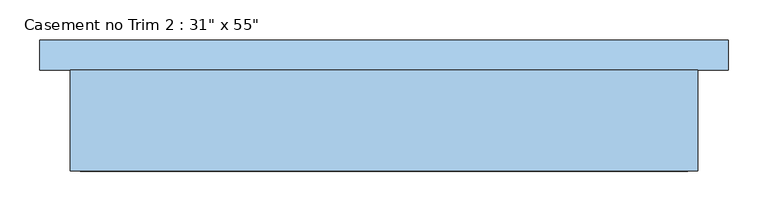
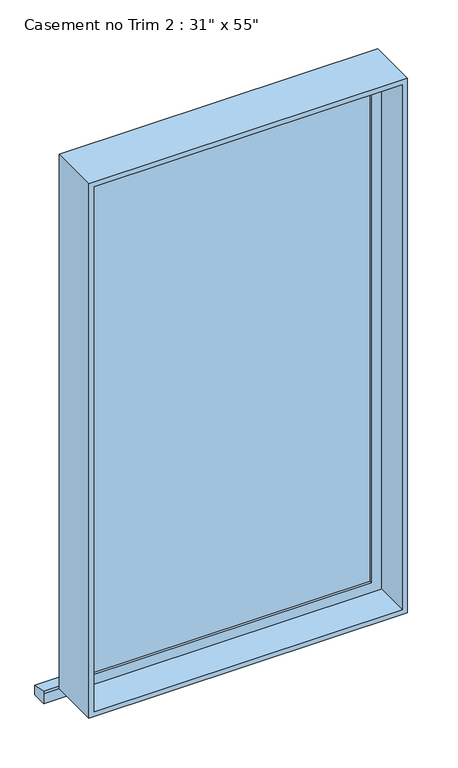
"""IFC4 building model written with IfcOpenShell, lengths in millimetres: window geometry."""

import ifcopenshell
import ifcopenshell.guid

model = None  # the IFC model being written
_history = None  # IfcOwnerHistory: only IFC2X3 demands one
_inside = {}  # id of a spatial element -> (the spatial element, [elements in it])
_under = {}  # id of a project, library or spatial element -> (it, [spatial elements below it])
_declared = {}  # id of a project -> (the project, [libraries it declares])
_typed = {}  # id of a type object -> (the type object, [elements of that type])
_made_of = {}  # id of a material, layer set ... -> (it, [elements and type objects made of it])


def new_model(schema):
    """Start an empty IFC model of exactly this schema.

    Asked for "IFC4X3", IfcOpenShell would pick the latest addendum, in which some entities
    have other attributes; the version numbers below select the first issue.
    IFC2X3 requires an IfcOwnerHistory on every rooted entity: one is made here for all.
    """
    global model, _history
    if schema == "IFC4X3":
        model = ifcopenshell.file(schema_version=(4, 3, 0, 0))
    else:
        model = ifcopenshell.file(schema=schema)
    _inside.clear()
    _under.clear()
    _declared.clear()
    _typed.clear()
    _made_of.clear()
    _history = None
    if model.schema == "IFC2X3":
        org = make("IfcOrganization", Name="unknown")
        user = make(
            "IfcPersonAndOrganization",
            ThePerson=make("IfcPerson", FamilyName="unknown"),
            TheOrganization=org,
        )
        app = make(
            "IfcApplication",
            ApplicationDeveloper=org,
            Version="unknown",
            ApplicationFullName="unknown",
            ApplicationIdentifier="unknown",
        )
        _history = make(
            "IfcOwnerHistory",
            OwningUser=user,
            OwningApplication=app,
            ChangeAction="ADDED",
            CreationDate=0,
        )
    return model


def make(cls, **values):
    """One entity of the class cls with the attributes given. An attribute that is None is left unset."""
    return model.create_entity(
        cls, **{name: value for name, value in values.items() if value is not None}
    )


def rooted(cls, **values):
    """An entity with a GlobalId (a new one), such as an element, a storey or a relation."""
    return make(cls, GlobalId=ifcopenshell.guid.new(), OwnerHistory=_history, **values)


def si_unit(unit_type, name, prefix=None):
    """IfcSIUnit, for example si_unit("LENGTHUNIT", "METRE", prefix="MILLI")."""
    return make("IfcSIUnit", UnitType=unit_type, Prefix=prefix, Name=name)


def assignment(units):
    """IfcUnitAssignment: the units of a project."""
    return None if units is None else make("IfcUnitAssignment", Units=units)


def point(xyz):
    """IfcCartesianPoint."""
    return None if xyz is None else make("IfcCartesianPoint", Coordinates=xyz)


def direction(xyz):
    """IfcDirection."""
    return None if xyz is None else make("IfcDirection", DirectionRatios=xyz)


def frame(location, z_axis=None, x_axis=None):
    """IfcAxis2Placement3D, a coordinate frame: its origin and axes. An axis left out is left unset."""
    return make(
        "IfcAxis2Placement3D",
        Location=point(location),
        Axis=direction(z_axis),
        RefDirection=direction(x_axis),
    )


def origin():
    """The frame at (0, 0, 0) with its axes left unset."""
    return frame((0.0, 0.0, 0.0))


def place(relative_to, where):
    """IfcLocalPlacement: puts the frame where relative to a parent placement (None: the world)."""
    return make(
        "IfcLocalPlacement", PlacementRelTo=relative_to, RelativePlacement=where
    )


def context(
    kind, dimensions, precision=None, world=None, true_north=None, identifier=None
):
    """IfcGeometricRepresentationContext, for example the 3D "Model" context."""
    return make(
        "IfcGeometricRepresentationContext",
        ContextIdentifier=identifier,
        ContextType=kind,
        CoordinateSpaceDimension=dimensions,
        Precision=precision,
        WorldCoordinateSystem=world,
        TrueNorth=true_north,
    )


def project(units=None, contexts=None):
    """IfcProject with its units and contexts."""
    return rooted(
        "IfcProject",
        Name="project",
        RepresentationContexts=contexts,
        UnitsInContext=assignment(units),
    )


def spatial(cls, under=None, at=None, **own):
    """A site, building, storey or space (cls), placed at a placement, below another one or the project."""
    s = rooted(cls, ObjectPlacement=at, **own)
    if under is not None:
        _under.setdefault(under.id(), (under, []))[1].append(s)
    return s


def polyline(points):
    """IfcPolyline through the points."""
    return make("IfcPolyline", Points=[point(p) for p in points])


def outline(outer, holes=None, kind="AREA"):
    """IfcArbitraryClosedProfileDef: a profile drawn as a closed curve; with holes, ...WithVoids."""
    if holes is None:
        return make("IfcArbitraryClosedProfileDef", ProfileType=kind, OuterCurve=outer)
    return make(
        "IfcArbitraryProfileDefWithVoids",
        ProfileType=kind,
        OuterCurve=outer,
        InnerCurves=holes,
    )


def extrude(swept, where, along, depth):
    """IfcExtrudedAreaSolid: the profile swept, set in the frame where, extruded along a direction by depth."""
    return make(
        "IfcExtrudedAreaSolid",
        SweptArea=swept,
        Position=where,
        ExtrudedDirection=direction(along),
        Depth=depth,
    )


def shape(context_of_items, identifier, shape_type, items):
    """IfcShapeRepresentation: the items that make up one representation, for example the "Body"."""
    return make(
        "IfcShapeRepresentation",
        ContextOfItems=context_of_items,
        RepresentationIdentifier=identifier,
        RepresentationType=shape_type,
        Items=items,
    )


def source(mapping_origin, context_of_items, identifier, shape_type, items):
    """IfcRepresentationMap: a shape defined once, which mapped items show again and again."""
    return make(
        "IfcRepresentationMap",
        MappingOrigin=mapping_origin,
        MappedRepresentation=shape(context_of_items, identifier, shape_type, items),
    )


def transform(
    local_origin,
    x_axis=None,
    y_axis=None,
    z_axis=None,
    scale=None,
    scale2=None,
    scale3=None,
    uniform=True,
):
    """IfcCartesianTransformationOperator3D, or its non-uniform kind. x_axis, y_axis, z_axis: its Axis1, 2, 3."""
    if uniform:
        return make(
            "IfcCartesianTransformationOperator3D",
            Axis1=direction(x_axis),
            Axis2=direction(y_axis),
            LocalOrigin=point(local_origin),
            Scale=scale,
            Axis3=direction(z_axis),
        )
    return make(
        "IfcCartesianTransformationOperator3DnonUniform",
        Axis1=direction(x_axis),
        Axis2=direction(y_axis),
        LocalOrigin=point(local_origin),
        Scale=scale,
        Axis3=direction(z_axis),
        Scale2=scale2,
        Scale3=scale3,
    )


def mapped(mapping_source, mapping_target):
    """IfcMappedItem: shows the shape of a source again, moved by a transform."""
    return make(
        "IfcMappedItem", MappingSource=mapping_source, MappingTarget=mapping_target
    )


def made_of(thing, what):
    """Note that an element or type object is made of a material, layer set ...; save() writes the relation."""
    if what is not None:
        _made_of.setdefault(what.id(), (what, []))[1].append(thing)
    return thing


def element(
    cls,
    number,
    at=None,
    inside=None,
    cuts=None,
    type_object=None,
    material=None,
    context=None,
    identifier="Body",
    shape_type=None,
    held_by="IfcProductDefinitionShape",
    body=None,
    shapes=None,
    **own,
):
    """One element of the class cls, such as IfcWall. Its Tag is "e" and its number.

    at: its placement. inside: the storey or other place that contains it. cuts: it is an
    opening in that element (IfcRelVoidsElement). A single representation is given by context,
    identifier, shape_type and body (its items); several are given by shapes. held_by: the class
    of the entity that holds the representations. save() writes the other relations.
    """
    e = rooted(cls, Tag="e%d" % number, ObjectPlacement=at, **own)
    if body is not None:
        shapes = [shape(context, identifier, shape_type, body)]
    if shapes is not None:
        e.Representation = make(held_by, Representations=shapes)
    if inside is not None:
        _inside.setdefault(inside.id(), (inside, []))[1].append(e)
    if cuts is not None:
        rooted(
            "IfcRelVoidsElement", RelatingBuildingElement=cuts, RelatedOpeningElement=e
        )
    if type_object is not None:
        _typed.setdefault(type_object.id(), (type_object, []))[1].append(e)
    return made_of(e, material)


def aggregate(whole, parts):
    """IfcRelAggregates: a whole, such as a stair, and the parts it consists of."""
    return rooted("IfcRelAggregates", RelatingObject=whole, RelatedObjects=parts)


def save(model, path):
    """Write the relations noted so far, then the file.

    IfcRelAggregates (storeys below a building ...), IfcRelContainedInSpatialStructure (elements
    in a storey), IfcRelDefinesByType, IfcRelAssociatesMaterial and IfcRelDeclares: one each for
    every whole, place, type object, material and project.
    """
    for whole, parts in _under.values():
        aggregate(whole, parts)
    for where, things in _inside.values():
        rooted(
            "IfcRelContainedInSpatialStructure",
            RelatedElements=things,
            RelatingStructure=where,
        )
    for kind, things in _typed.values():
        rooted("IfcRelDefinesByType", RelatedObjects=things, RelatingType=kind)
    for what, things in _made_of.values():
        rooted("IfcRelAssociatesMaterial", RelatedObjects=things, RelatingMaterial=what)
    for by, libraries in _declared.values():
        rooted("IfcRelDeclares", RelatingContext=by, RelatedDefinitions=libraries)
    model.write(path)


def window_bbcf3f84(model_context):
    return source(origin(), model_context, "Body", "SweptSolid", [
        extrude(outline(polyline([(355.6, 31.75), (-355.6, 31.75), (-355.6, 44.45), (355.6, 44.45), (355.6, 31.75)])), frame((0.0, 0.0, 673.1), z_axis=(0.0, 0.0, 1.0), x_axis=(1.0, 0.0, 0.0)), (0.0, 0.0, 1.0), 1320.8),
        extrude(outline(polyline([(2019.3, -381.0), (647.7, -381.0), (647.7, 381.0), (2019.3, 381.0), (2019.3, -381.0)]), holes=[polyline([(673.1, 355.6), (673.1, -355.6), (1993.9, -355.6), (1993.9, 355.6), (673.1, 355.6)])]), frame((0.0, 25.4, 0.0), z_axis=(0.0, 1.0, 0.0), x_axis=(0.0, 0.0, 1.0)), (0.0, 0.0, 1.0), 25.4),
        extrude(outline(polyline([(2032.0, -393.7), (635.0, -393.7), (635.0, 393.7), (2032.0, 393.7), (2032.0, -393.7)]), holes=[polyline([(647.7, 381.0), (647.7, -381.0), (2019.3, -381.0), (2019.3, 381.0), (647.7, 381.0)])]), frame((0.0, -63.5, 0.0), z_axis=(0.0, 1.0, 0.0), x_axis=(0.0, 0.0, 1.0)), (0.0, 0.0, 1.0), 127.0),
        extrude(outline(polyline([(63.5, 641.35), (101.6, 635.0), (101.6, 609.6), (63.5, 609.6), (63.5, 635.0), (63.5, 641.35)])), frame((-431.8, 0.0, 0.0), z_axis=(1.0, 0.0, 0.0), x_axis=(0.0, 1.0, 0.0)), (0.0, 0.0, 1.0), 863.6),
    ])


if __name__ == "__main__":
    model = new_model("IFC4")
    model_context = context("Model", 3, world=origin())
    ifc_project = project(units=[si_unit("LENGTHUNIT", "METRE", prefix="MILLI")], contexts=[model_context])
    site = spatial("IfcSite", under=ifc_project)
    building = spatial("IfcBuilding", under=site)
    placement = place(None, origin())
    window_shape = window_bbcf3f84(model_context)
    element("IfcWindow", 1, ObjectType="Casement no Trim 2 : 31\" x 55\"", at=placement, inside=building, context=model_context, shape_type="MappedRepresentation", body=[
        mapped(window_shape, transform((0.0, 0.0, 0.0), x_axis=(1.0, 0.0, 0.0), y_axis=(0.0, 1.0, 0.0), z_axis=(0.0, 0.0, 1.0))),
    ])
    save(model, "model.ifc")
